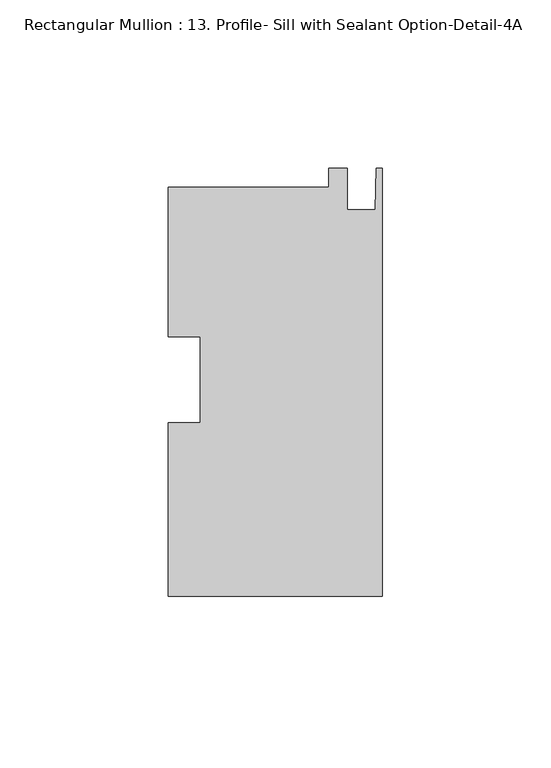
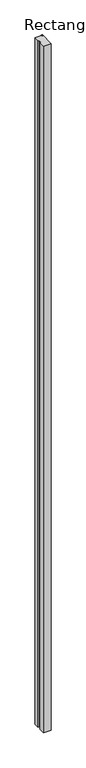
"""IFC4 building model written with IfcOpenShell, lengths in millimetres: member geometry, Rectangular Mullion : 13. Profile- Sill with Sealant Option-Detail-4A."""

import ifcopenshell
import ifcopenshell.guid

model = None  # the IFC model being written
_history = None  # IfcOwnerHistory: only IFC2X3 demands one
_inside = {}  # id of a spatial element -> (the spatial element, [elements in it])
_under = {}  # id of a project, library or spatial element -> (it, [spatial elements below it])
_declared = {}  # id of a project -> (the project, [libraries it declares])
_typed = {}  # id of a type object -> (the type object, [elements of that type])
_made_of = {}  # id of a material, layer set ... -> (it, [elements and type objects made of it])


def new_model(schema):
    """Start an empty IFC model of exactly this schema.

    Asked for "IFC4X3", IfcOpenShell would pick the latest addendum, in which some entities
    have other attributes; the version numbers below select the first issue.
    IFC2X3 requires an IfcOwnerHistory on every rooted entity: one is made here for all.
    """
    global model, _history
    if schema == "IFC4X3":
        model = ifcopenshell.file(schema_version=(4, 3, 0, 0))
    else:
        model = ifcopenshell.file(schema=schema)
    _inside.clear()
    _under.clear()
    _declared.clear()
    _typed.clear()
    _made_of.clear()
    _history = None
    if model.schema == "IFC2X3":
        org = make("IfcOrganization", Name="unknown")
        user = make(
            "IfcPersonAndOrganization",
            ThePerson=make("IfcPerson", FamilyName="unknown"),
            TheOrganization=org,
        )
        app = make(
            "IfcApplication",
            ApplicationDeveloper=org,
            Version="unknown",
            ApplicationFullName="unknown",
            ApplicationIdentifier="unknown",
        )
        _history = make(
            "IfcOwnerHistory",
            OwningUser=user,
            OwningApplication=app,
            ChangeAction="ADDED",
            CreationDate=0,
        )
    return model


def make(cls, **values):
    """One entity of the class cls with the attributes given. An attribute that is None is left unset."""
    return model.create_entity(
        cls, **{name: value for name, value in values.items() if value is not None}
    )


def rooted(cls, **values):
    """An entity with a GlobalId (a new one), such as an element, a storey or a relation."""
    return make(cls, GlobalId=ifcopenshell.guid.new(), OwnerHistory=_history, **values)


def si_unit(unit_type, name, prefix=None):
    """IfcSIUnit, for example si_unit("LENGTHUNIT", "METRE", prefix="MILLI")."""
    return make("IfcSIUnit", UnitType=unit_type, Prefix=prefix, Name=name)


def assignment(units):
    """IfcUnitAssignment: the units of a project."""
    return None if units is None else make("IfcUnitAssignment", Units=units)


def point(xyz):
    """IfcCartesianPoint."""
    return None if xyz is None else make("IfcCartesianPoint", Coordinates=xyz)


def direction(xyz):
    """IfcDirection."""
    return None if xyz is None else make("IfcDirection", DirectionRatios=xyz)


def frame(location, z_axis=None, x_axis=None):
    """IfcAxis2Placement3D, a coordinate frame: its origin and axes. An axis left out is left unset."""
    return make(
        "IfcAxis2Placement3D",
        Location=point(location),
        Axis=direction(z_axis),
        RefDirection=direction(x_axis),
    )


def origin():
    """The frame at (0, 0, 0) with its axes left unset."""
    return frame((0.0, 0.0, 0.0))


def place(relative_to, where):
    """IfcLocalPlacement: puts the frame where relative to a parent placement (None: the world)."""
    return make(
        "IfcLocalPlacement", PlacementRelTo=relative_to, RelativePlacement=where
    )


def context(
    kind, dimensions, precision=None, world=None, true_north=None, identifier=None
):
    """IfcGeometricRepresentationContext, for example the 3D "Model" context."""
    return make(
        "IfcGeometricRepresentationContext",
        ContextIdentifier=identifier,
        ContextType=kind,
        CoordinateSpaceDimension=dimensions,
        Precision=precision,
        WorldCoordinateSystem=world,
        TrueNorth=true_north,
    )


def project(units=None, contexts=None):
    """IfcProject with its units and contexts."""
    return rooted(
        "IfcProject",
        Name="project",
        RepresentationContexts=contexts,
        UnitsInContext=assignment(units),
    )


def spatial(cls, under=None, at=None, **own):
    """A site, building, storey or space (cls), placed at a placement, below another one or the project."""
    s = rooted(cls, ObjectPlacement=at, **own)
    if under is not None:
        _under.setdefault(under.id(), (under, []))[1].append(s)
    return s


def polyline(points):
    """IfcPolyline through the points."""
    return make("IfcPolyline", Points=[point(p) for p in points])


def outline(outer, holes=None, kind="AREA"):
    """IfcArbitraryClosedProfileDef: a profile drawn as a closed curve; with holes, ...WithVoids."""
    if holes is None:
        return make("IfcArbitraryClosedProfileDef", ProfileType=kind, OuterCurve=outer)
    return make(
        "IfcArbitraryProfileDefWithVoids",
        ProfileType=kind,
        OuterCurve=outer,
        InnerCurves=holes,
    )


def extrude(swept, where, along, depth):
    """IfcExtrudedAreaSolid: the profile swept, set in the frame where, extruded along a direction by depth."""
    return make(
        "IfcExtrudedAreaSolid",
        SweptArea=swept,
        Position=where,
        ExtrudedDirection=direction(along),
        Depth=depth,
    )


def shape(context_of_items, identifier, shape_type, items):
    """IfcShapeRepresentation: the items that make up one representation, for example the "Body"."""
    return make(
        "IfcShapeRepresentation",
        ContextOfItems=context_of_items,
        RepresentationIdentifier=identifier,
        RepresentationType=shape_type,
        Items=items,
    )


def source(mapping_origin, context_of_items, identifier, shape_type, items):
    """IfcRepresentationMap: a shape defined once, which mapped items show again and again."""
    return make(
        "IfcRepresentationMap",
        MappingOrigin=mapping_origin,
        MappedRepresentation=shape(context_of_items, identifier, shape_type, items),
    )


def transform(
    local_origin,
    x_axis=None,
    y_axis=None,
    z_axis=None,
    scale=None,
    scale2=None,
    scale3=None,
    uniform=True,
):
    """IfcCartesianTransformationOperator3D, or its non-uniform kind. x_axis, y_axis, z_axis: its Axis1, 2, 3."""
    if uniform:
        return make(
            "IfcCartesianTransformationOperator3D",
            Axis1=direction(x_axis),
            Axis2=direction(y_axis),
            LocalOrigin=point(local_origin),
            Scale=scale,
            Axis3=direction(z_axis),
        )
    return make(
        "IfcCartesianTransformationOperator3DnonUniform",
        Axis1=direction(x_axis),
        Axis2=direction(y_axis),
        LocalOrigin=point(local_origin),
        Scale=scale,
        Axis3=direction(z_axis),
        Scale2=scale2,
        Scale3=scale3,
    )


def mapped(mapping_source, mapping_target):
    """IfcMappedItem: shows the shape of a source again, moved by a transform."""
    return make(
        "IfcMappedItem", MappingSource=mapping_source, MappingTarget=mapping_target
    )


def made_of(thing, what):
    """Note that an element or type object is made of a material, layer set ...; save() writes the relation."""
    if what is not None:
        _made_of.setdefault(what.id(), (what, []))[1].append(thing)
    return thing


def element(
    cls,
    number,
    at=None,
    inside=None,
    cuts=None,
    type_object=None,
    material=None,
    context=None,
    identifier="Body",
    shape_type=None,
    held_by="IfcProductDefinitionShape",
    body=None,
    shapes=None,
    **own,
):
    """One element of the class cls, such as IfcWall. Its Tag is "e" and its number.

    at: its placement. inside: the storey or other place that contains it. cuts: it is an
    opening in that element (IfcRelVoidsElement). A single representation is given by context,
    identifier, shape_type and body (its items); several are given by shapes. held_by: the class
    of the entity that holds the representations. save() writes the other relations.
    """
    e = rooted(cls, Tag="e%d" % number, ObjectPlacement=at, **own)
    if body is not None:
        shapes = [shape(context, identifier, shape_type, body)]
    if shapes is not None:
        e.Representation = make(held_by, Representations=shapes)
    if inside is not None:
        _inside.setdefault(inside.id(), (inside, []))[1].append(e)
    if cuts is not None:
        rooted(
            "IfcRelVoidsElement", RelatingBuildingElement=cuts, RelatedOpeningElement=e
        )
    if type_object is not None:
        _typed.setdefault(type_object.id(), (type_object, []))[1].append(e)
    return made_of(e, material)


def aggregate(whole, parts):
    """IfcRelAggregates: a whole, such as a stair, and the parts it consists of."""
    return rooted("IfcRelAggregates", RelatingObject=whole, RelatedObjects=parts)


def save(model, path):
    """Write the relations noted so far, then the file.

    IfcRelAggregates (storeys below a building ...), IfcRelContainedInSpatialStructure (elements
    in a storey), IfcRelDefinesByType, IfcRelAssociatesMaterial and IfcRelDeclares: one each for
    every whole, place, type object, material and project.
    """
    for whole, parts in _under.values():
        aggregate(whole, parts)
    for where, things in _inside.values():
        rooted(
            "IfcRelContainedInSpatialStructure",
            RelatedElements=things,
            RelatingStructure=where,
        )
    for kind, things in _typed.values():
        rooted("IfcRelDefinesByType", RelatedObjects=things, RelatingType=kind)
    for what, things in _made_of.values():
        rooted("IfcRelAssociatesMaterial", RelatedObjects=things, RelatingMaterial=what)
    for by, libraries in _declared.values():
        rooted("IfcRelDeclares", RelatingContext=by, RelatedDefinitions=libraries)
    model.write(path)


def rectangular_mullion_13_profile_sill_with_sealant_option_79402ec0(model_context):
    return source(origin(), model_context, "Body", "SweptSolid", [
        extrude(outline(polyline([(0.0, -88.2612888), (-63.5, -88.2612888), (-63.5, -36.7288279), (-53.975, -36.7288279), (-53.975, -11.2411296), (-63.5, -11.2411296), (-63.5, 33.1761112), (-15.8694428, 33.1761112), (-15.8694428, 38.7387112), (-10.3124, 38.7387112), (-10.3124, 26.3943112), (-2.032, 26.3943112), (-1.778, 38.7387112), (0.0, 38.7387112), (0.0, -88.2612888)])), frame((0.0, 0.0, -6032.5), z_axis=(0.0, 0.0, 1.0), x_axis=(1.0, 0.0, 0.0)), (0.0, 0.0, 1.0), 6032.5),
    ])


if __name__ == "__main__":
    model = new_model("IFC4")
    model_context = context("Model", 3, world=origin())
    ifc_project = project(units=[si_unit("LENGTHUNIT", "METRE", prefix="MILLI")], contexts=[model_context])
    site = spatial("IfcSite", under=ifc_project)
    building = spatial("IfcBuilding", under=site)
    placement = place(None, origin())
    rectangular_mullion_13_profile_sill_with_sealant_option_shape = rectangular_mullion_13_profile_sill_with_sealant_option_79402ec0(model_context)
    element("IfcMember", 1, ObjectType="Rectangular Mullion : 13. Profile- Sill with Sealant Option-Detail-4A", at=placement, inside=building, context=model_context, shape_type="MappedRepresentation", body=[
        mapped(rectangular_mullion_13_profile_sill_with_sealant_option_shape, transform((0.0, 0.0, 0.0), x_axis=(1.0, 0.0, 0.0), y_axis=(0.0, 1.0, 0.0), z_axis=(0.0, 0.0, 1.0))),
    ])
    save(model, "model.ifc")
